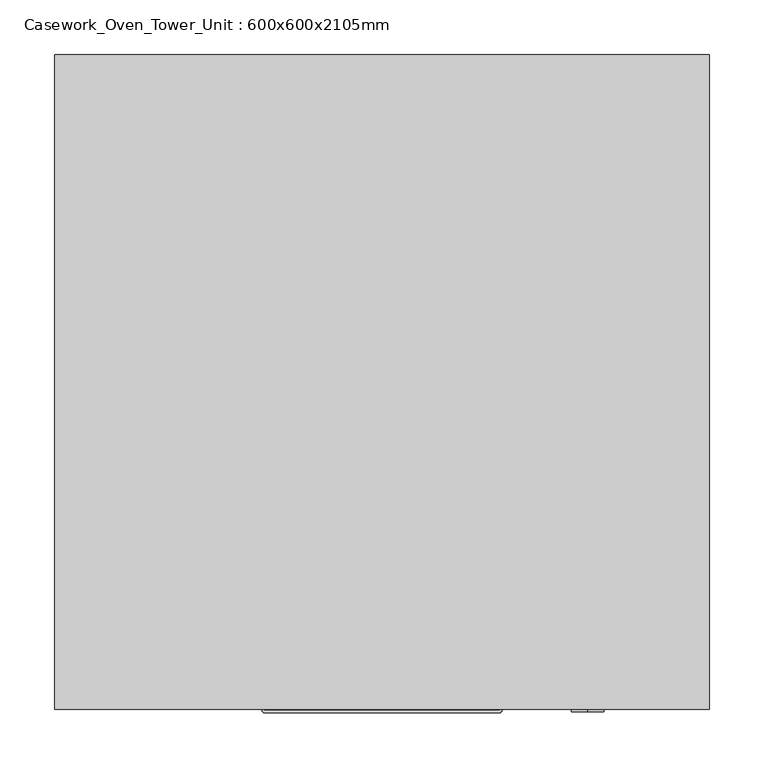
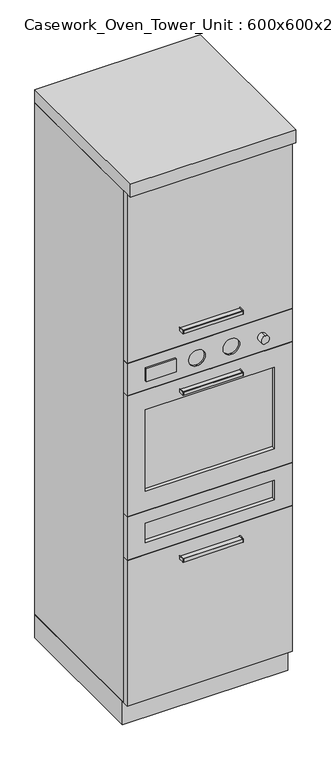
"""IFC4 building model written with IfcOpenShell, lengths in millimetres: furniture geometry, Casework_Oven_Tower_Unit : 600x600x2105mm."""

from ifc_helpers import new_model, si_unit, point, frame, frame_2d, origin, origin_with_axes, place, context, project, spatial, polyline, circle_curve, trimmed, segment, composite_curve, outline, extrude, faceted_brep, source, transform, mapped, element, save
from ifc_brep_helpers import plane_surface, revolved_surface, advanced_brep


def casework_oven_tower_unit_600x600x2105mm_e2cf2370(model_context):
    return source(origin(), model_context, "Body", "SolidModel", [
        extrude(outline(composite_curve([segment(polyline([(-63.2996736, -580.0), (152.7003264, -580.0), (152.7003264, -600.5)]), True, "CONTINUOUS"), segment(trimmed(circle_curve(frame_2d((152.2003264, -600.5)), 0.5), [point((152.7003264, -600.5))], [point((152.2003264, -601.0))], False, "CARTESIAN"), True, "CONTINUOUS"), segment(polyline([(152.2003264, -601.0), (-62.7996736, -601.0)]), True, "CONTINUOUS"), segment(trimmed(circle_curve(frame_2d((-62.7996736, -600.5)), 0.5), [point((-62.7996736, -601.0))], [point((-63.2996736, -600.5))], False, "CARTESIAN"), True, "CONTINUOUS"), segment(polyline([(-63.2996736, -600.5), (-63.2996736, -580.0)]), True, "CONTINUOUS")], self_intersect=False)), frame((0.0, 0.0, 1468.5856462), z_axis=(0.0, 0.0, 1.0), x_axis=(1.0, 0.0, 0.0)), (0.0, 0.0, 1.0), 6.4890959),
        extrude(outline(composite_curve([segment(polyline([(-65.2996736, -580.0), (-63.2996736, -580.0), (-63.2996736, -600.5)]), True, "CONTINUOUS"), segment(trimmed(circle_curve(frame_2d((-62.7996736, -600.5)), 0.5), [point((-63.2996736, -600.5))], [point((-62.7996736, -601.0))], True, "CARTESIAN"), True, "CONTINUOUS"), segment(polyline([(-62.7996736, -601.0), (152.2003264, -601.0)]), True, "CONTINUOUS"), segment(trimmed(circle_curve(frame_2d((152.2003264, -600.5)), 0.5), [point((152.2003264, -601.0))], [point((152.7003264, -600.5))], True, "CARTESIAN"), True, "CONTINUOUS"), segment(polyline([(152.7003264, -600.5), (152.7003264, -580.0), (154.7003264, -580.0), (154.7003264, -600.5)]), True, "CONTINUOUS"), segment(trimmed(circle_curve(frame_2d((152.2003264, -600.5)), 2.5), [point((154.7003264, -600.5))], [point((152.2003264, -603.0))], False, "CARTESIAN"), True, "CONTINUOUS"), segment(polyline([(152.2003264, -603.0), (-62.7996736, -603.0)]), True, "CONTINUOUS"), segment(trimmed(circle_curve(frame_2d((-62.7996736, -600.5)), 2.5), [point((-62.7996736, -603.0))], [point((-65.2996736, -600.5))], False, "CARTESIAN"), True, "CONTINUOUS"), segment(polyline([(-65.2996736, -600.5), (-65.2996736, -580.0)]), True, "CONTINUOUS")], self_intersect=False)), frame((0.0, 0.0, 1465.8202572), z_axis=(0.0, 0.0, 1.0), x_axis=(1.0, 0.0, 0.0)), (0.0, 0.0, 1.0), 12.0),
        extrude(outline(composite_curve([segment(polyline([(-63.2996736, -580.0), (152.7003264, -580.0), (152.7003264, -600.5)]), True, "CONTINUOUS"), segment(trimmed(circle_curve(frame_2d((152.2003264, -600.5)), 0.5), [point((152.7003264, -600.5))], [point((152.2003264, -601.0))], False, "CARTESIAN"), True, "CONTINUOUS"), segment(polyline([(152.2003264, -601.0), (-62.7996736, -601.0)]), True, "CONTINUOUS"), segment(trimmed(circle_curve(frame_2d((-62.7996736, -600.5)), 0.5), [point((-62.7996736, -601.0))], [point((-63.2996736, -600.5))], False, "CARTESIAN"), True, "CONTINUOUS"), segment(polyline([(-63.2996736, -600.5), (-63.2996736, -580.0)]), True, "CONTINUOUS")], self_intersect=False)), frame((0.0, 0.0, 1231.9451319), z_axis=(0.0, 0.0, 1.0), x_axis=(1.0, 0.0, 0.0)), (0.0, 0.0, 1.0), 6.4890959),
        extrude(outline(composite_curve([segment(polyline([(-65.2996736, -580.0), (-63.2996736, -580.0), (-63.2996736, -600.5)]), True, "CONTINUOUS"), segment(trimmed(circle_curve(frame_2d((-62.7996736, -600.5)), 0.5), [point((-63.2996736, -600.5))], [point((-62.7996736, -601.0))], True, "CARTESIAN"), True, "CONTINUOUS"), segment(polyline([(-62.7996736, -601.0), (152.2003264, -601.0)]), True, "CONTINUOUS"), segment(trimmed(circle_curve(frame_2d((152.2003264, -600.5)), 0.5), [point((152.2003264, -601.0))], [point((152.7003264, -600.5))], True, "CARTESIAN"), True, "CONTINUOUS"), segment(polyline([(152.7003264, -600.5), (152.7003264, -580.0), (154.7003264, -580.0), (154.7003264, -600.5)]), True, "CONTINUOUS"), segment(trimmed(circle_curve(frame_2d((152.2003264, -600.5)), 2.5), [point((154.7003264, -600.5))], [point((152.2003264, -603.0))], False, "CARTESIAN"), True, "CONTINUOUS"), segment(polyline([(152.2003264, -603.0), (-62.7996736, -603.0)]), True, "CONTINUOUS"), segment(trimmed(circle_curve(frame_2d((-62.7996736, -600.5)), 2.5), [point((-62.7996736, -603.0))], [point((-65.2996736, -600.5))], False, "CARTESIAN"), True, "CONTINUOUS"), segment(polyline([(-65.2996736, -600.5), (-65.2996736, -580.0)]), True, "CONTINUOUS")], self_intersect=False)), frame((0.0, 0.0, 1229.1797428), z_axis=(0.0, 0.0, 1.0), x_axis=(1.0, 0.0, 0.0)), (0.0, 0.0, 1.0), 12.0),
        extrude(outline(composite_curve([segment(polyline([(-63.2996736, -580.0), (152.7003264, -580.0), (152.7003264, -600.5)]), True, "CONTINUOUS"), segment(trimmed(circle_curve(frame_2d((152.2003264, -600.5)), 0.5), [point((152.7003264, -600.5))], [point((152.2003264, -601.0))], False, "CARTESIAN"), True, "CONTINUOUS"), segment(polyline([(152.2003264, -601.0), (-62.7996736, -601.0)]), True, "CONTINUOUS"), segment(trimmed(circle_curve(frame_2d((-62.7996736, -600.5)), 0.5), [point((-62.7996736, -601.0))], [point((-63.2996736, -600.5))], False, "CARTESIAN"), True, "CONTINUOUS"), segment(polyline([(-63.2996736, -600.5), (-63.2996736, -580.0)]), True, "CONTINUOUS")], self_intersect=False)), frame((0.0, 0.0, 591.9451319), z_axis=(0.0, 0.0, 1.0), x_axis=(1.0, 0.0, 0.0)), (0.0, 0.0, 1.0), 6.4890959),
        extrude(outline(composite_curve([segment(polyline([(-65.2996736, -580.0), (-63.2996736, -580.0), (-63.2996736, -600.5)]), True, "CONTINUOUS"), segment(trimmed(circle_curve(frame_2d((-62.7996736, -600.5)), 0.5), [point((-63.2996736, -600.5))], [point((-62.7996736, -601.0))], True, "CARTESIAN"), True, "CONTINUOUS"), segment(polyline([(-62.7996736, -601.0), (152.2003264, -601.0)]), True, "CONTINUOUS"), segment(trimmed(circle_curve(frame_2d((152.2003264, -600.5)), 0.5), [point((152.2003264, -601.0))], [point((152.7003264, -600.5))], True, "CARTESIAN"), True, "CONTINUOUS"), segment(polyline([(152.7003264, -600.5), (152.7003264, -580.0), (154.7003264, -580.0), (154.7003264, -600.5)]), True, "CONTINUOUS"), segment(trimmed(circle_curve(frame_2d((152.2003264, -600.5)), 2.5), [point((154.7003264, -600.5))], [point((152.2003264, -603.0))], False, "CARTESIAN"), True, "CONTINUOUS"), segment(polyline([(152.2003264, -603.0), (-62.7996736, -603.0)]), True, "CONTINUOUS"), segment(trimmed(circle_curve(frame_2d((-62.7996736, -600.5)), 2.5), [point((-62.7996736, -603.0))], [point((-65.2996736, -600.5))], False, "CARTESIAN"), True, "CONTINUOUS"), segment(polyline([(-65.2996736, -600.5), (-65.2996736, -580.0)]), True, "CONTINUOUS")], self_intersect=False)), frame((0.0, 0.0, 589.1797428), z_axis=(0.0, 0.0, 1.0), x_axis=(1.0, 0.0, 0.0)), (0.0, 0.0, 1.0), 12.0),
        extrude(outline(polyline([(-81.1282242, -588.0), (-190.2996736, -588.0), (-190.2996736, -580.0), (-81.1282242, -580.0), (-81.1282242, -588.0)])), frame((0.0, 0.0, 1316.662147), z_axis=(0.0, 0.0, 1.0), x_axis=(1.0, 0.0, 0.0)), (0.0, 0.0, 1.0), 50.0),
        extrude(outline(polyline([(279.7003264, -566.0), (-190.2996736, -566.0), (-190.2996736, -558.0), (279.7003264, -558.0), (279.7003264, -566.0)])), frame((0.0, 0.0, 891.0699831), z_axis=(0.0, 0.0, 1.0), x_axis=(1.0, 0.0, 0.0)), (0.0, 0.0, 1.0), 312.8600338),
        extrude(outline(polyline([(279.7003264, -566.0), (-190.2996736, -566.0), (-190.2996736, -558.0), (279.7003264, -558.0), (279.7003264, -566.0)])), frame((0.0, 0.0, 695.0), z_axis=(0.0, 0.0, 1.0), x_axis=(1.0, 0.0, 0.0)), (0.0, 0.0, 1.0), 74.0699831),
        extrude(outline(composite_curve([segment(trimmed(circle_curve(frame_2d((1337.8901406, 233.1843461)), 15.0), [point((1352.8901406, 233.1843461))], [point((1322.8901406, 233.1843461))], False, "CARTESIAN"), True, "CONTINUOUS"), segment(trimmed(circle_curve(frame_2d((1337.8901406, 233.1843461)), 15.0), [point((1322.8901406, 233.1843461))], [point((1352.8901406, 233.1843461))], False, "CARTESIAN"), True, "CONTINUOUS")], self_intersect=False)), frame((0.0, -602.0, 0.0), z_axis=(0.0, 1.0, 0.0), x_axis=(0.0, 0.0, 1.0)), (0.0, 0.0, 1.0), 22.0),
        faceted_brep([(344.7003264, -580.0, 650.0), (344.7003264, -580.0, 814.0699831), (-255.2996736, -580.0, 814.0699831), (-255.2996736, -580.0, 650.0), (279.7003264, -580.0, 769.0699831), (279.7003264, -580.0, 695.0), (-190.2996736, -580.0, 695.0), (-190.2996736, -580.0, 769.0699831), (344.7003264, -558.0, 650.0), (-255.2996736, -558.0, 650.0), (-255.2996736, -558.0, 814.0699831), (344.7003264, -558.0, 814.0699831), (279.7003264, -558.0, 769.0699831), (-190.2996736, -558.0, 769.0699831), (-190.2996736, -558.0, 695.0), (279.7003264, -558.0, 695.0)], [[[0, 1, 2, 3], [4, 5, 6, 7]], [[8, 9, 10, 11], [12, 13, 14, 15]], [[1, 0, 8, 11]], [[2, 1, 11, 10]], [[3, 2, 10, 9]], [[0, 3, 9, 8]], [[5, 4, 12, 15]], [[6, 5, 15, 14]], [[7, 6, 14, 13]], [[4, 7, 13, 12]]]),
        advanced_brep(
        [(344.7003264, -580.0, 1280.9300169), (344.7003264, -580.0, 1405.0), (-255.2996736, -580.0, 1405.0), (-255.2996736, -580.0, 1280.9300169), (123.1843461, -580.0, 1307.8901406), (123.1843461, -580.0, 1367.8901406), (-1.8156539, -580.0, 1307.8901406), (-1.8156539, -580.0, 1367.8901406), (344.7003264, -558.0, 1280.9300169), (-255.2996736, -558.0, 1280.9300169), (-255.2996736, -558.0, 1405.0), (344.7003264, -558.0, 1405.0), (123.1843461, -574.0, 1307.8901406), (123.1843461, -574.0, 1367.8901406), (-1.8156539, -574.0, 1307.8901406), (-1.8156539, -574.0, 1367.8901406)],
        [
            (0, 1),
            (1, 2),
            (2, 3),
            (3, 0),
            (4, 5, circle_curve(frame((123.1843461, -580.0, 1337.8901406), z_axis=(0.0, 1.0, 0.0), x_axis=(0.0, 0.0, 1.0)), 30.0)),
            (5, 4, circle_curve(frame((123.1843461, -580.0, 1337.8901406), z_axis=(0.0, 1.0, 0.0), x_axis=(0.0, 0.0, 1.0)), 30.0)),
            (6, 7, circle_curve(frame((-1.8156539, -580.0, 1337.8901406), z_axis=(0.0, 1.0, 0.0), x_axis=(0.0, 0.0, 1.0)), 30.0)),
            (7, 6, circle_curve(frame((-1.8156539, -580.0, 1337.8901406), z_axis=(0.0, 1.0, 0.0), x_axis=(0.0, 0.0, 1.0)), 30.0)),
            (8, 9),
            (9, 10),
            (10, 11),
            (11, 8),
            (0, 8),
            (11, 1),
            (10, 2),
            (9, 3),
            (12, 13, circle_curve(frame((123.1843461, -574.0, 1337.8901406), z_axis=(0.0, -1.0, 0.0), x_axis=(0.0, 0.0, 1.0)), 30.0)),
            (13, 12, circle_curve(frame((123.1843461, -574.0, 1337.8901406), z_axis=(0.0, -1.0, 0.0), x_axis=(0.0, 0.0, 1.0)), 30.0)),
            (14, 15, circle_curve(frame((-1.8156539, -574.0, 1337.8901406), z_axis=(0.0, -1.0, 0.0), x_axis=(0.0, 0.0, 1.0)), 30.0)),
            (15, 14, circle_curve(frame((-1.8156539, -574.0, 1337.8901406), z_axis=(0.0, -1.0, 0.0), x_axis=(0.0, 0.0, 1.0)), 30.0)),
            (13, 5),
            (4, 12),
            (15, 7),
            (6, 14),
        ],
        [
            plane_surface(frame((344.7003264, -580.0, 650.0), z_axis=(0.0, -1.0, 0.0), x_axis=(0.0, 0.0, 1.0))),
            plane_surface(frame((344.7003264, -558.0, 650.0), z_axis=(0.0, 1.0, 0.0), x_axis=(0.0, 0.0, -1.0))),
            plane_surface(frame((344.7003264, -580.0, 1280.9300169), z_axis=(1.0, 0.0, 0.0), x_axis=(0.0, 1.0, 0.0))),
            plane_surface(frame((344.7003264, -580.0, 1405.0), z_axis=(0.0, 0.0, 1.0), x_axis=(0.0, 1.0, 0.0))),
            plane_surface(frame((-255.2996736, -580.0, 1405.0), z_axis=(-1.0, 0.0, 0.0), x_axis=(0.0, 1.0, 0.0))),
            plane_surface(frame((-255.2996736, -580.0, 1280.9300169), z_axis=(0.0, 0.0, -1.0), x_axis=(0.0, 1.0, 0.0))),
            plane_surface(frame((123.1843461, -574.0, 1367.8901406), z_axis=(0.0, -1.0, 0.0), x_axis=(1.0, 0.0, 0.0))),
            revolved_surface(polyline([(123.1843461, -574.0, 1367.8901406), (123.1843461, -580.0, 1367.8901406)]), (123.1843461, -580.0, 1337.8901406), (0.0, 1.0, 0.0)),
            revolved_surface(polyline([(-1.8156539, -574.0, 1367.8901406), (-1.8156539, -580.0, 1367.8901406)]), (-1.8156539, -580.0, 1337.8901406), (0.0, 1.0, 0.0)),
        ],
        [
            (0, [[1, 2, 3, 4], [5, 6], [7, 8]]),
            (1, [[9, 10, 11, 12]]),
            (2, [[-1, 13, -12, 14]]),
            (3, [[-2, -14, -11, 15]]),
            (4, [[-3, -15, -10, 16]]),
            (5, [[-4, -16, -9, -13]]),
            (6, [[17, 18]]),
            (6, [[19, 20]]),
            (7, [[-18, 21, -5, 22]]),
            (7, [[-17, -22, -6, -21]]),
            (8, [[-20, 23, -7, 24]]),
            (8, [[-19, -24, -8, -23]]),
        ],
    ),
        faceted_brep([(344.7003264, -580.0, 1278.9300169), (-255.2996736, -580.0, 1278.9300169), (-255.2996736, -580.0, 816.0699831), (344.7003264, -580.0, 816.0699831), (279.7003264, -580.0, 891.0699831), (-190.2996736, -580.0, 891.0699831), (-190.2996736, -580.0, 1203.9300169), (279.7003264, -580.0, 1203.9300169), (344.7003264, -558.0, 1278.9300169), (344.7003264, -558.0, 816.0699831), (-255.2996736, -558.0, 816.0699831), (-255.2996736, -558.0, 1278.9300169), (279.7003264, -558.0, 891.0699831), (279.7003264, -558.0, 1203.9300169), (-190.2996736, -558.0, 1203.9300169), (-190.2996736, -558.0, 891.0699831)], [[[0, 1, 2, 3], [4, 5, 6, 7]], [[8, 9, 10, 11], [12, 13, 14, 15]], [[1, 0, 8, 11]], [[2, 1, 11, 10]], [[3, 2, 10, 9]], [[0, 3, 9, 8]], [[5, 4, 12, 15]], [[6, 5, 15, 14]], [[7, 6, 14, 13]], [[4, 7, 13, 12]]]),
        extrude(outline(polyline([(344.7003264, -0.533703), (344.7003264, -550.533703), (-255.2996736, -550.533703), (-255.2996736, -0.533703), (344.7003264, -0.533703)])), origin_with_axes(), (0.0, 0.0, 1.0), 90.0),
        extrude(outline(polyline([(344.7003264, -580.0), (-255.2996736, -580.0), (-255.2996736, -558.0), (344.7003264, -558.0), (344.7003264, -580.0)])), frame((0.0, 0.0, 1407.0), z_axis=(0.0, 0.0, 1.0), x_axis=(1.0, 0.0, 0.0)), (0.0, 0.0, 1.0), 648.0),
        extrude(outline(polyline([(344.7003264, -580.0), (-255.2996736, -580.0), (-255.2996736, -558.0), (344.7003264, -558.0), (344.7003264, -580.0)])), frame((0.0, 0.0, 90.0), z_axis=(0.0, 0.0, 1.0), x_axis=(1.0, 0.0, 0.0)), (0.0, 0.0, 1.0), 558.0),
        extrude(outline(polyline([(344.7003264, 0.0), (344.7003264, -600.0), (-255.2996736, -600.0), (-255.2996736, 0.0), (344.7003264, 0.0)])), frame((0.0, 0.0, 2055.0), z_axis=(0.0, 0.0, 1.0), x_axis=(1.0, 0.0, 0.0)), (0.0, 0.0, 1.0), 50.0),
        extrude(outline(polyline([(344.7003264, 0.0), (344.7003264, -558.0), (322.7003264, -558.0), (322.7003264, -22.0), (-233.2996736, -22.0), (-233.2996736, -558.0), (-255.2996736, -558.0), (-255.2996736, 0.0), (344.7003264, 0.0)])), frame((0.0, 0.0, 90.0), z_axis=(0.0, 0.0, 1.0), x_axis=(1.0, 0.0, 0.0)), (0.0, 0.0, 1.0), 1965.0),
    ])


if __name__ == "__main__":
    model = new_model("IFC4")
    model_context = context("Model", 3, world=origin())
    ifc_project = project(units=[si_unit("LENGTHUNIT", "METRE", prefix="MILLI")], contexts=[model_context])
    site = spatial("IfcSite", under=ifc_project)
    building = spatial("IfcBuilding", under=site)
    placement = place(None, origin())
    casework_oven_tower_unit_600x600x2105mm_shape = casework_oven_tower_unit_600x600x2105mm_e2cf2370(model_context)
    element("IfcFurniture", 1, ObjectType="Casework_Oven_Tower_Unit : 600x600x2105mm", at=placement, inside=building, context=model_context, shape_type="MappedRepresentation", body=[
        mapped(casework_oven_tower_unit_600x600x2105mm_shape, transform((0.0, 0.0, 0.0), x_axis=(1.0, 0.0, 0.0), y_axis=(0.0, 1.0, 0.0), z_axis=(0.0, 0.0, 1.0))),
    ])
    save(model, "model.ifc")
